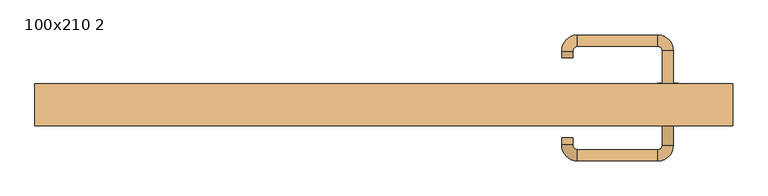
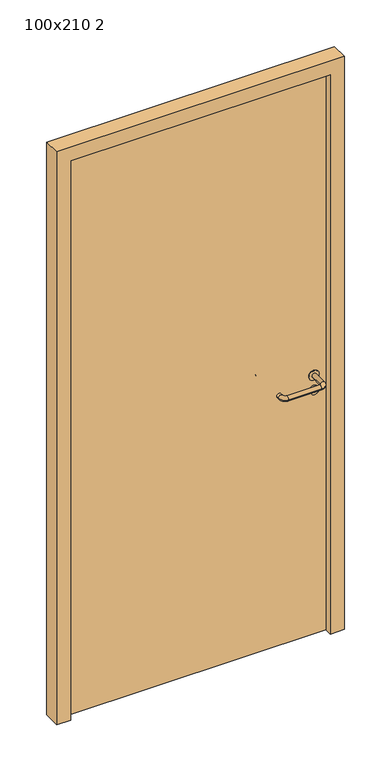
"""IFC4 building model written with IfcOpenShell, lengths in millimetres: door geometry, 100x210 2."""

import ifcopenshell
import ifcopenshell.guid

model = None  # the IFC model being written
_history = None  # IfcOwnerHistory: only IFC2X3 demands one
_inside = {}  # id of a spatial element -> (the spatial element, [elements in it])
_under = {}  # id of a project, library or spatial element -> (it, [spatial elements below it])
_declared = {}  # id of a project -> (the project, [libraries it declares])
_typed = {}  # id of a type object -> (the type object, [elements of that type])
_made_of = {}  # id of a material, layer set ... -> (it, [elements and type objects made of it])


def new_model(schema):
    """Start an empty IFC model of exactly this schema.

    Asked for "IFC4X3", IfcOpenShell would pick the latest addendum, in which some entities
    have other attributes; the version numbers below select the first issue.
    IFC2X3 requires an IfcOwnerHistory on every rooted entity: one is made here for all.
    """
    global model, _history
    if schema == "IFC4X3":
        model = ifcopenshell.file(schema_version=(4, 3, 0, 0))
    else:
        model = ifcopenshell.file(schema=schema)
    _inside.clear()
    _under.clear()
    _declared.clear()
    _typed.clear()
    _made_of.clear()
    _history = None
    if model.schema == "IFC2X3":
        org = make("IfcOrganization", Name="unknown")
        user = make(
            "IfcPersonAndOrganization",
            ThePerson=make("IfcPerson", FamilyName="unknown"),
            TheOrganization=org,
        )
        app = make(
            "IfcApplication",
            ApplicationDeveloper=org,
            Version="unknown",
            ApplicationFullName="unknown",
            ApplicationIdentifier="unknown",
        )
        _history = make(
            "IfcOwnerHistory",
            OwningUser=user,
            OwningApplication=app,
            ChangeAction="ADDED",
            CreationDate=0,
        )
    return model


def make(cls, **values):
    """One entity of the class cls with the attributes given. An attribute that is None is left unset."""
    return model.create_entity(
        cls, **{name: value for name, value in values.items() if value is not None}
    )


def rooted(cls, **values):
    """An entity with a GlobalId (a new one), such as an element, a storey or a relation."""
    return make(cls, GlobalId=ifcopenshell.guid.new(), OwnerHistory=_history, **values)


def si_unit(unit_type, name, prefix=None):
    """IfcSIUnit, for example si_unit("LENGTHUNIT", "METRE", prefix="MILLI")."""
    return make("IfcSIUnit", UnitType=unit_type, Prefix=prefix, Name=name)


def assignment(units):
    """IfcUnitAssignment: the units of a project."""
    return None if units is None else make("IfcUnitAssignment", Units=units)


def point(xyz):
    """IfcCartesianPoint."""
    return None if xyz is None else make("IfcCartesianPoint", Coordinates=xyz)


def direction(xyz):
    """IfcDirection."""
    return None if xyz is None else make("IfcDirection", DirectionRatios=xyz)


def frame(location, z_axis=None, x_axis=None):
    """IfcAxis2Placement3D, a coordinate frame: its origin and axes. An axis left out is left unset."""
    return make(
        "IfcAxis2Placement3D",
        Location=point(location),
        Axis=direction(z_axis),
        RefDirection=direction(x_axis),
    )


def frame_2d(location, x_axis=None):
    """IfcAxis2Placement2D, a coordinate frame in the plane: its origin and x axis."""
    return make(
        "IfcAxis2Placement2D", Location=point(location), RefDirection=direction(x_axis)
    )


def origin():
    """The frame at (0, 0, 0) with its axes left unset."""
    return frame((0.0, 0.0, 0.0))


def origin_with_axes():
    """The frame at (0, 0, 0) with the z axis (0, 0, 1) and the x axis (1, 0, 0) written out."""
    return frame((0.0, 0.0, 0.0), z_axis=(0.0, 0.0, 1.0), x_axis=(1.0, 0.0, 0.0))


def place(relative_to, where):
    """IfcLocalPlacement: puts the frame where relative to a parent placement (None: the world)."""
    return make(
        "IfcLocalPlacement", PlacementRelTo=relative_to, RelativePlacement=where
    )


def context(
    kind, dimensions, precision=None, world=None, true_north=None, identifier=None
):
    """IfcGeometricRepresentationContext, for example the 3D "Model" context."""
    return make(
        "IfcGeometricRepresentationContext",
        ContextIdentifier=identifier,
        ContextType=kind,
        CoordinateSpaceDimension=dimensions,
        Precision=precision,
        WorldCoordinateSystem=world,
        TrueNorth=true_north,
    )


def project(units=None, contexts=None):
    """IfcProject with its units and contexts."""
    return rooted(
        "IfcProject",
        Name="project",
        RepresentationContexts=contexts,
        UnitsInContext=assignment(units),
    )


def spatial(cls, under=None, at=None, **own):
    """A site, building, storey or space (cls), placed at a placement, below another one or the project."""
    s = rooted(cls, ObjectPlacement=at, **own)
    if under is not None:
        _under.setdefault(under.id(), (under, []))[1].append(s)
    return s


def polyline(points):
    """IfcPolyline through the points."""
    return make("IfcPolyline", Points=[point(p) for p in points])


def circle_curve(where, radius):
    """IfcCircle in the frame where."""
    return make("IfcCircle", Position=where, Radius=radius)


def ellipse_curve(where, semi_axis1, semi_axis2):
    """IfcEllipse in the frame where."""
    return make(
        "IfcEllipse", Position=where, SemiAxis1=semi_axis1, SemiAxis2=semi_axis2
    )


def trimmed(basis, trim1, trim2, sense, master):
    """IfcTrimmedCurve: the piece of a basis curve between two trims."""
    return make(
        "IfcTrimmedCurve",
        BasisCurve=basis,
        Trim1=trim1,
        Trim2=trim2,
        SenseAgreement=sense,
        MasterRepresentation=master,
    )


def segment(curve, same_sense, transition):
    """IfcCompositeCurveSegment."""
    return make(
        "IfcCompositeCurveSegment",
        Transition=transition,
        SameSense=same_sense,
        ParentCurve=curve,
    )


def composite_curve(segments, self_intersect=None):
    """IfcCompositeCurve: segments joined end to end."""
    return make("IfcCompositeCurve", Segments=segments, SelfIntersect=self_intersect)


def outline(outer, holes=None, kind="AREA"):
    """IfcArbitraryClosedProfileDef: a profile drawn as a closed curve; with holes, ...WithVoids."""
    if holes is None:
        return make("IfcArbitraryClosedProfileDef", ProfileType=kind, OuterCurve=outer)
    return make(
        "IfcArbitraryProfileDefWithVoids",
        ProfileType=kind,
        OuterCurve=outer,
        InnerCurves=holes,
    )


def extrude(swept, where, along, depth):
    """IfcExtrudedAreaSolid: the profile swept, set in the frame where, extruded along a direction by depth."""
    return make(
        "IfcExtrudedAreaSolid",
        SweptArea=swept,
        Position=where,
        ExtrudedDirection=direction(along),
        Depth=depth,
    )


def shape(context_of_items, identifier, shape_type, items):
    """IfcShapeRepresentation: the items that make up one representation, for example the "Body"."""
    return make(
        "IfcShapeRepresentation",
        ContextOfItems=context_of_items,
        RepresentationIdentifier=identifier,
        RepresentationType=shape_type,
        Items=items,
    )


def source(mapping_origin, context_of_items, identifier, shape_type, items):
    """IfcRepresentationMap: a shape defined once, which mapped items show again and again."""
    return make(
        "IfcRepresentationMap",
        MappingOrigin=mapping_origin,
        MappedRepresentation=shape(context_of_items, identifier, shape_type, items),
    )


def transform(
    local_origin,
    x_axis=None,
    y_axis=None,
    z_axis=None,
    scale=None,
    scale2=None,
    scale3=None,
    uniform=True,
):
    """IfcCartesianTransformationOperator3D, or its non-uniform kind. x_axis, y_axis, z_axis: its Axis1, 2, 3."""
    if uniform:
        return make(
            "IfcCartesianTransformationOperator3D",
            Axis1=direction(x_axis),
            Axis2=direction(y_axis),
            LocalOrigin=point(local_origin),
            Scale=scale,
            Axis3=direction(z_axis),
        )
    return make(
        "IfcCartesianTransformationOperator3DnonUniform",
        Axis1=direction(x_axis),
        Axis2=direction(y_axis),
        LocalOrigin=point(local_origin),
        Scale=scale,
        Axis3=direction(z_axis),
        Scale2=scale2,
        Scale3=scale3,
    )


def mapped(mapping_source, mapping_target):
    """IfcMappedItem: shows the shape of a source again, moved by a transform."""
    return make(
        "IfcMappedItem", MappingSource=mapping_source, MappingTarget=mapping_target
    )


def made_of(thing, what):
    """Note that an element or type object is made of a material, layer set ...; save() writes the relation."""
    if what is not None:
        _made_of.setdefault(what.id(), (what, []))[1].append(thing)
    return thing


def element(
    cls,
    number,
    at=None,
    inside=None,
    cuts=None,
    type_object=None,
    material=None,
    context=None,
    identifier="Body",
    shape_type=None,
    held_by="IfcProductDefinitionShape",
    body=None,
    shapes=None,
    **own,
):
    """One element of the class cls, such as IfcWall. Its Tag is "e" and its number.

    at: its placement. inside: the storey or other place that contains it. cuts: it is an
    opening in that element (IfcRelVoidsElement). A single representation is given by context,
    identifier, shape_type and body (its items); several are given by shapes. held_by: the class
    of the entity that holds the representations. save() writes the other relations.
    """
    e = rooted(cls, Tag="e%d" % number, ObjectPlacement=at, **own)
    if body is not None:
        shapes = [shape(context, identifier, shape_type, body)]
    if shapes is not None:
        e.Representation = make(held_by, Representations=shapes)
    if inside is not None:
        _inside.setdefault(inside.id(), (inside, []))[1].append(e)
    if cuts is not None:
        rooted(
            "IfcRelVoidsElement", RelatingBuildingElement=cuts, RelatedOpeningElement=e
        )
    if type_object is not None:
        _typed.setdefault(type_object.id(), (type_object, []))[1].append(e)
    return made_of(e, material)


def aggregate(whole, parts):
    """IfcRelAggregates: a whole, such as a stair, and the parts it consists of."""
    return rooted("IfcRelAggregates", RelatingObject=whole, RelatedObjects=parts)


def save(model, path):
    """Write the relations noted so far, then the file.

    IfcRelAggregates (storeys below a building ...), IfcRelContainedInSpatialStructure (elements
    in a storey), IfcRelDefinesByType, IfcRelAssociatesMaterial and IfcRelDeclares: one each for
    every whole, place, type object, material and project.
    """
    for whole, parts in _under.values():
        aggregate(whole, parts)
    for where, things in _inside.values():
        rooted(
            "IfcRelContainedInSpatialStructure",
            RelatedElements=things,
            RelatingStructure=where,
        )
    for kind, things in _typed.values():
        rooted("IfcRelDefinesByType", RelatedObjects=things, RelatingType=kind)
    for what, things in _made_of.values():
        rooted("IfcRelAssociatesMaterial", RelatedObjects=things, RelatingMaterial=what)
    for by, libraries in _declared.values():
        rooted("IfcRelDeclares", RelatingContext=by, RelatedDefinitions=libraries)
    model.write(path)


def plane_surface(at):
    """IfcPlane: the flat surface through the origin of the frame at, square to its z axis."""
    return make("IfcPlane", Position=at)


def cylinder_surface(at, radius):
    """IfcCylindricalSurface: all points at the distance radius from the z axis of the frame at."""
    return make("IfcCylindricalSurface", Position=at, Radius=radius)


def revolved_surface(curve, axis_point, axis_direction):
    """IfcSurfaceOfRevolution: the curve turned about the line through axis_point along axis_direction."""
    return make(
        "IfcSurfaceOfRevolution",
        SweptCurve=make("IfcArbitraryOpenProfileDef", ProfileType="CURVE", Curve=curve),
        AxisPosition=make("IfcAxis1Placement", Location=point(axis_point), Axis=direction(axis_direction)),
    )


def advanced_brep(points, edges, surfaces, faces):
    """IfcAdvancedBrep: a solid bounded by faces that lie on surfaces and meet in shared edges.

    An edge is (start, end): straight between two places in points (the first is 0);
    or (start, end, curve); or (start, end, curve, False) where it runs against its curve.
    A face is (place in surfaces, loops), or (place, loops, False) where it looks against
    its surface's normal. A loop lists edges by number (the first is 1), with a minus sign
    where the edge is run from its end to its start. The first loop is the outer one.
    """
    corners = [point(p) for p in points]
    vertices = [make("IfcVertexPoint", VertexGeometry=c) for c in corners]
    made = []
    for start, end, *more in edges:
        made.append(
            make(
                "IfcEdgeCurve",
                EdgeStart=vertices[start],
                EdgeEnd=vertices[end],
                EdgeGeometry=more[0] if more else make("IfcPolyline", Points=[corners[start], corners[end]]),
                SameSense=more[1] if len(more) > 1 else True,
            )
        )
    hull = []
    for where, loops, *sense in faces:
        bounds = []
        for j, loop in enumerate(loops):
            ring = [make("IfcOrientedEdge", EdgeElement=made[abs(k) - 1], Orientation=k > 0) for k in loop]
            bounds.append(
                make(
                    "IfcFaceOuterBound" if j == 0 else "IfcFaceBound",
                    Bound=make("IfcEdgeLoop", EdgeList=ring),
                    Orientation=True,
                )
            )
        hull.append(make("IfcAdvancedFace", Bounds=bounds, FaceSurface=surfaces[where], SameSense=sense[0] if sense else True))
    return make("IfcAdvancedBrep", Outer=make("IfcClosedShell", CfsFaces=hull))


def door_100x210_2_7547dd9d(model_context):
    return source(origin(), model_context, "Body", "SolidModel", [
        extrude(outline(composite_curve([segment(trimmed(circle_curve(frame_2d((897.3605726, 407.0)), 15.0), [point((897.3605726, 422.0))], [point((897.3605726, 392.0))], False, "CARTESIAN"), True, "CONTINUOUS"), segment(trimmed(circle_curve(frame_2d((897.3605726, 407.0)), 15.0), [point((897.3605726, 392.0))], [point((897.3605726, 422.0))], False, "CARTESIAN"), True, "CONTINUOUS")], self_intersect=False), holes=[composite_curve([segment(trimmed(circle_curve(frame_2d((892.5833211, 406.9398032)), 2.0), [point((892.5833211, 408.9398032))], [point((892.5833211, 404.9398032))], True, "CARTESIAN"), True, "CONTINUOUS"), segment(polyline([(892.5833211, 404.9398032), (902.5833211, 404.9398032)]), True, "CONTINUOUS"), segment(trimmed(circle_curve(frame_2d((902.5833211, 406.9398032)), 2.0), [point((902.5833211, 404.9398032))], [point((902.5833211, 408.9398032))], True, "CARTESIAN"), True, "CONTINUOUS"), segment(polyline([(902.5833211, 408.9398032), (892.5833211, 408.9398032)]), True, "CONTINUOUS")], self_intersect=False)]), frame((0.0, -1.35, 0.0), z_axis=(0.0, 1.0, 0.0), x_axis=(0.0, 0.0, 1.0)), (0.0, 0.0, 1.0), 6.35),
        extrude(outline(composite_curve([segment(trimmed(circle_curve(frame_2d((950.0, 407.0)), 17.526), [point((950.0, 424.526))], [point((950.0, 389.474))], False, "CARTESIAN"), True, "CONTINUOUS"), segment(trimmed(circle_curve(frame_2d((950.0, 407.0)), 17.526), [point((950.0, 389.474))], [point((950.0, 424.526))], False, "CARTESIAN"), True, "CONTINUOUS")], self_intersect=False)), frame((0.0, 1.825, 0.0), z_axis=(0.0, 1.0, 0.0), x_axis=(0.0, 0.0, 1.0)), (0.0, 0.0, 1.0), 3.175),
        advanced_brep(
        [(415.0, 5.0, 950.0), (399.0, 5.0, 950.0), (399.0, -48.0, 950.0), (415.0, -48.0, 950.0), (392.8578644, -54.1421356, 950.0), (392.8578644, -70.1421356, 950.0), (277.8578644, -54.1421356, 950.0), (277.8578644, -70.1421356, 950.0), (271.008622, -47.2928932, 950.0), (255.008622, -47.2928932, 950.0), (255.008622, -37.2928932, 950.0), (271.008622, -37.2928932, 950.0)],
        [
            (0, 1, circle_curve(frame((407.0, 5.0, 950.0), z_axis=(0.0, 1.0, 0.0), x_axis=(-1.0, 0.0, 0.0)), 8.0)),
            (1, 0, circle_curve(frame((407.0, 5.0, 950.0), z_axis=(0.0, 1.0, 0.0), x_axis=(-1.0, 0.0, 0.0)), 8.0)),
            (1, 2),
            (2, 3, circle_curve(frame((407.0, -48.0, 950.0), z_axis=(0.0, 1.0, 0.0), x_axis=(-1.0, 0.0, 0.0)), 8.0)),
            (3, 0),
            (3, 2, circle_curve(frame((407.0, -48.0, 950.0), z_axis=(0.0, 1.0, 0.0), x_axis=(-1.0, 0.0, 0.0)), 8.0)),
            (4, 5, circle_curve(frame((392.8578644, -62.1421356, 950.0), z_axis=(1.0, 0.0, 0.0), x_axis=(0.0, 1.0, 0.0)), 8.0)),
            (5, 3, circle_curve(frame((392.8578644, -48.0, 950.0), z_axis=(0.0, 0.0, 1.0), x_axis=(1.0, 0.0, 0.0)), 22.1421356)),
            (2, 4, circle_curve(frame((392.8578644, -48.0, 950.0), z_axis=(0.0, 0.0, -1.0), x_axis=(1.0, 0.0, 0.0)), 6.1421356)),
            (5, 4, circle_curve(frame((392.8578644, -62.1421356, 950.0), z_axis=(1.0, 0.0, 0.0), x_axis=(0.0, 1.0, 0.0)), 8.0)),
            (4, 6),
            (6, 7, circle_curve(frame((277.8578644, -62.1421356, 950.0), z_axis=(1.0, 0.0, 0.0), x_axis=(0.0, 1.0, 0.0)), 8.0)),
            (7, 5),
            (7, 6, circle_curve(frame((277.8578644, -62.1421356, 950.0), z_axis=(1.0, 0.0, 0.0), x_axis=(0.0, 1.0, 0.0)), 8.0)),
            (8, 9, circle_curve(frame((263.008622, -47.2928932, 950.0), z_axis=(0.0, -1.0, 0.0), x_axis=(1.0, 0.0, 0.0)), 8.0)),
            (9, 7, circle_curve(frame((277.8578644, -47.2928932, 950.0), z_axis=(0.0, 0.0, 1.0), x_axis=(0.0, -1.0, 0.0)), 22.8492424)),
            (6, 8, circle_curve(frame((277.8578644, -47.2928932, 950.0), z_axis=(0.0, 0.0, -1.0), x_axis=(0.0, -1.0, 0.0)), 6.8492424)),
            (9, 8, circle_curve(frame((263.008622, -47.2928932, 950.0), z_axis=(0.0, -1.0, 0.0), x_axis=(1.0, 0.0, 0.0)), 8.0)),
            (10, 11, circle_curve(frame((263.008622, -37.2928932, 950.0), z_axis=(0.0, 1.0, 0.0), x_axis=(1.0, 0.0, 0.0)), 8.0)),
            (11, 10, circle_curve(frame((263.008622, -37.2928932, 950.0), z_axis=(0.0, 1.0, 0.0), x_axis=(1.0, 0.0, 0.0)), 8.0)),
            (8, 11),
            (10, 9),
        ],
        [
            plane_surface(frame((407.0, 5.0, 0.0), z_axis=(0.0, 1.0, 0.0), x_axis=(0.0, 0.0, 1.0))),
            cylinder_surface(frame((407.0, 5.0, 950.0), z_axis=(0.0, 1.0, 0.0), x_axis=(-1.0, 0.0, 0.0)), 8.0),
            revolved_surface(trimmed(ellipse_curve(frame((407.0, -48.0, 950.0), z_axis=(0.0, -1.0, 0.0), x_axis=(-1.0, 0.0, 0.0)), 8.0, 8.0), [point((415.0, -48.0, 950.0))], [point((399.0, -48.0, 950.0))], True, "CARTESIAN"), (392.8578644, -48.0, 0.0), (0.0, 0.0, 1.0)),
            revolved_surface(trimmed(ellipse_curve(frame((407.0, -48.0, 950.0), z_axis=(0.0, -1.0, 0.0), x_axis=(-1.0, 0.0, 0.0)), 8.0, 8.0), [point((399.0, -48.0, 950.0))], [point((415.0, -48.0, 950.0))], True, "CARTESIAN"), (392.8578644, -48.0, 0.0), (0.0, 0.0, 1.0)),
            cylinder_surface(frame((392.8578644, -62.1421356, 950.0), z_axis=(1.0, 0.0, 0.0), x_axis=(0.0, 1.0, 0.0)), 8.0),
            revolved_surface(trimmed(ellipse_curve(frame((277.8578644, -62.1421356, 950.0), z_axis=(-1.0, 0.0, 0.0), x_axis=(0.0, 1.0, 0.0)), 8.0, 8.0), [point((277.8578644, -70.1421356, 950.0))], [point((277.8578644, -54.1421356, 950.0))], True, "CARTESIAN"), (277.8578644, -47.2928932, 0.0), (0.0, 0.0, 1.0)),
            revolved_surface(trimmed(ellipse_curve(frame((277.8578644, -62.1421356, 950.0), z_axis=(-1.0, 0.0, 0.0), x_axis=(0.0, 1.0, 0.0)), 8.0, 8.0), [point((277.8578644, -54.1421356, 950.0))], [point((277.8578644, -70.1421356, 950.0))], True, "CARTESIAN"), (277.8578644, -47.2928932, 0.0), (0.0, 0.0, 1.0)),
            plane_surface(frame((263.008622, -37.2928932, 0.0), z_axis=(0.0, 1.0, 0.0), x_axis=(0.0, 0.0, 1.0))),
            cylinder_surface(frame((263.008622, -47.2928932, 950.0), z_axis=(0.0, -1.0, 0.0), x_axis=(1.0, 0.0, 0.0)), 8.0),
        ],
        [
            (0, [[1, 2]]),
            (1, [[3, 4, 5, -2]]),
            (1, [[-5, 6, -3, -1]]),
            (2, [[7, 8, -4, 9]]),
            (3, [[10, -9, -6, -8]]),
            (4, [[11, 12, 13, -7]]),
            (4, [[-13, 14, -11, -10]]),
            (5, [[15, 16, -12, 17]]),
            (6, [[18, -17, -14, -16]]),
            (7, [[19, 20]]),
            (8, [[21, -19, 22, -15]]),
            (8, [[-22, -20, -21, -18]]),
        ],
    ),
        extrude(outline(composite_curve([segment(trimmed(circle_curve(frame_2d((0.0, -15.0)), 15.0), [point((0.0, -30.0))], [point((0.0, 0.0))], False, "CARTESIAN"), True, "CONTINUOUS"), segment(trimmed(circle_curve(frame_2d((0.0, -15.0)), 15.0), [point((0.0, 0.0))], [point((0.0, -30.0))], False, "CARTESIAN"), True, "CONTINUOUS")], self_intersect=False), holes=[composite_curve([segment(trimmed(circle_curve(frame_2d((4.7772515, -14.9398032)), 2.0), [point((4.7772515, -16.9398032))], [point((4.7772515, -12.9398032))], True, "CARTESIAN"), True, "CONTINUOUS"), segment(polyline([(4.7772515, -12.9398032), (-5.2227485, -12.9398032)]), True, "CONTINUOUS"), segment(trimmed(circle_curve(frame_2d((-5.2227485, -14.9398032)), 2.0), [point((-5.2227485, -12.9398032))], [point((-5.2227485, -16.9398032))], True, "CARTESIAN"), True, "CONTINUOUS"), segment(polyline([(-5.2227485, -16.9398032), (4.7772515, -16.9398032)]), True, "CONTINUOUS")], self_intersect=False)]), frame((392.0, 35.0, 897.3605726), z_axis=(1.8870575173328306e-12, 1.0, 0.0), x_axis=(0.0, 0.0, -1.0)), (0.0, 0.0, 1.0), 6.35),
        extrude(outline(composite_curve([segment(trimmed(circle_curve(frame_2d((0.0, -17.526)), 17.526), [point((0.0, -35.052))], [point((0.0, 0.0))], False, "CARTESIAN"), True, "CONTINUOUS"), segment(trimmed(circle_curve(frame_2d((0.0, -17.526)), 17.526), [point((0.0, 0.0))], [point((0.0, -35.052))], False, "CARTESIAN"), True, "CONTINUOUS")], self_intersect=False)), frame((389.474, 35.0, 950.0), z_axis=(1.8870575173328306e-12, 1.0, 0.0), x_axis=(0.0, 0.0, -1.0)), (0.0, 0.0, 1.0), 3.175),
        advanced_brep(
        [(415.0, 35.0, 950.0), (399.0, 35.0, 950.0), (415.0, 88.0, 950.0), (399.0, 88.0, 950.0), (392.8578644, 94.1421356, 950.0), (392.8578644, 110.1421356, 950.0), (277.8578644, 110.1421356, 950.0), (277.8578644, 94.1421356, 950.0), (271.008622, 87.2928932, 950.0), (255.008622, 87.2928932, 950.0), (255.008622, 77.2928932, 950.0), (271.008622, 77.2928932, 950.0)],
        [
            (0, 1, circle_curve(frame((407.0, 35.0, 950.0), z_axis=(-1.888672253512351e-12, -1.0, 0.0), x_axis=(-1.0, 1.888672253512351e-12, 0.0)), 8.0)),
            (1, 0, circle_curve(frame((407.0, 35.0, 950.0), z_axis=(-1.888672253512351e-12, -1.0, 0.0), x_axis=(-1.0, 1.888672253512351e-12, 0.0)), 8.0)),
            (0, 2),
            (2, 3, circle_curve(frame((407.0, 88.0, 950.0), z_axis=(-1.888672253512351e-12, -1.0, 0.0), x_axis=(-1.0, 1.888672253512351e-12, 0.0)), 8.0)),
            (3, 1),
            (3, 2, circle_curve(frame((407.0, 88.0, 950.0), z_axis=(-1.888672253512351e-12, -1.0, 0.0), x_axis=(-1.0, 1.888672253512351e-12, 0.0)), 8.0)),
            (4, 3, circle_curve(frame((392.8578644, 88.0, 950.0), z_axis=(0.0, 0.0, -1.0), x_axis=(1.0, -1.880717803715015e-12, 0.0)), 6.1421356)),
            (2, 5, circle_curve(frame((392.8578644, 88.0, 950.0), z_axis=(0.0, 0.0, 1.0), x_axis=(1.0, -1.880717803715015e-12, 0.0)), 22.1421356)),
            (5, 4, circle_curve(frame((392.8578644, 102.1421356, 950.0), z_axis=(1.0, -1.913702061528922e-12, 0.0), x_axis=(-1.913702061528922e-12, -1.0, 0.0)), 8.0)),
            (4, 5, circle_curve(frame((392.8578644, 102.1421356, 950.0), z_axis=(1.0, -1.913702061528922e-12, 0.0), x_axis=(-1.913702061528922e-12, -1.0, 0.0)), 8.0)),
            (5, 6),
            (6, 7, circle_curve(frame((277.8578644, 102.1421356, 950.0), z_axis=(1.0, -1.913719828541269e-12, 0.0), x_axis=(-1.913719828541269e-12, -1.0, 0.0)), 8.0)),
            (7, 4),
            (7, 6, circle_curve(frame((277.8578644, 102.1421356, 950.0), z_axis=(1.0, -1.913719828541269e-12, 0.0), x_axis=(-1.913719828541269e-12, -1.0, 0.0)), 8.0)),
            (8, 7, circle_curve(frame((277.8578644, 87.2928932, 950.0), z_axis=(0.0, 0.0, -1.0), x_axis=(1.9120873253494017e-12, 1.0, 0.0)), 6.8492424)),
            (6, 9, circle_curve(frame((277.8578644, 87.2928932, 950.0), z_axis=(0.0, 0.0, 1.0), x_axis=(1.9120873253494017e-12, 1.0, 0.0)), 22.8492424)),
            (9, 8, circle_curve(frame((263.008622, 87.2928932, 950.0), z_axis=(1.890448610351751e-12, 1.0, 0.0), x_axis=(1.0, -1.890448610351751e-12, 0.0)), 8.0)),
            (8, 9, circle_curve(frame((263.008622, 87.2928932, 950.0), z_axis=(1.8888942981172756e-12, 1.0, 0.0), x_axis=(1.0, -1.8888942981172756e-12, 0.0)), 8.0)),
            (10, 11, circle_curve(frame((263.008622, 77.2928932, 950.0), z_axis=(-1.8903642334018795e-12, -1.0, 0.0), x_axis=(1.0, -1.8903642334018795e-12, 0.0)), 8.0)),
            (11, 10, circle_curve(frame((263.008622, 77.2928932, 950.0), z_axis=(-1.8903642334018795e-12, -1.0, 0.0), x_axis=(1.0, -1.8903642334018795e-12, 0.0)), 8.0)),
            (9, 10),
            (11, 8),
        ],
        [
            plane_surface(frame((407.0, 35.0, 0.0), z_axis=(-1.8870575173328306e-12, -1.0, 0.0), x_axis=(0.0, 0.0, 1.0))),
            cylinder_surface(frame((407.0, 35.0, 950.0), z_axis=(-1.888672253512351e-12, -1.0, 0.0), x_axis=(-1.0, 1.888672253512351e-12, 0.0)), 8.0),
            revolved_surface(trimmed(ellipse_curve(frame((407.0, 88.0, 950.0), z_axis=(-1.8823325398945356e-12, -1.0, 0.0), x_axis=(-1.0, 1.8823325398945356e-12, 0.0)), 8.0, 8.0), [point((415.0, 88.0, 950.0))], [point((399.0, 88.0, 950.0))], True, "CARTESIAN"), (392.8578644, 88.0, 0.0), (0.0, 0.0, 1.0)),
            revolved_surface(trimmed(ellipse_curve(frame((407.0, 88.0, 950.0), z_axis=(-1.8823325398945356e-12, -1.0, 0.0), x_axis=(-1.0, 1.8823325398945356e-12, 0.0)), 8.0, 8.0), [point((399.0, 88.0, 950.0))], [point((415.0, 88.0, 950.0))], True, "CARTESIAN"), (392.8578644, 88.0, 0.0), (0.0, 0.0, 1.0)),
            cylinder_surface(frame((392.8578644, 102.1421356, 950.0), z_axis=(1.0, -1.913719828541269e-12, 0.0), x_axis=(-1.913719828541269e-12, -1.0, 0.0)), 8.0),
            revolved_surface(trimmed(ellipse_curve(frame((277.8578644, 102.1421356, 950.0), z_axis=(1.0, -1.913702061528922e-12, 0.0), x_axis=(-1.913702061528922e-12, -1.0, 0.0)), 8.0, 8.0), [point((277.8578644, 110.1421356, 950.0))], [point((277.8578644, 94.1421356, 950.0))], True, "CARTESIAN"), (277.8578644, 87.2928932, 0.0), (0.0, 0.0, 1.0)),
            revolved_surface(trimmed(ellipse_curve(frame((277.8578644, 102.1421356, 950.0), z_axis=(1.0, -1.913702061528922e-12, 0.0), x_axis=(-1.913702061528922e-12, -1.0, 0.0)), 8.0, 8.0), [point((277.8578644, 94.1421356, 950.0))], [point((277.8578644, 110.1421356, 950.0))], True, "CARTESIAN"), (277.8578644, 87.2928932, 0.0), (0.0, 0.0, 1.0)),
            plane_surface(frame((263.008622, 77.2928932, 0.0), z_axis=(-1.8887494972223595e-12, -1.0, 0.0), x_axis=(0.0, 0.0, 1.0))),
            cylinder_surface(frame((263.008622, 87.2928932, 950.0), z_axis=(1.8903642334018795e-12, 1.0, 0.0), x_axis=(1.0, -1.8903642334018795e-12, 0.0)), 8.0),
        ],
        [
            (0, [[1, 2]]),
            (1, [[-1, 3, 4, 5]]),
            (1, [[-2, -5, 6, -3]]),
            (2, [[7, -4, 8, 9]]),
            (3, [[-8, -6, -7, 10]]),
            (4, [[-9, 11, 12, 13]]),
            (4, [[-10, -13, 14, -11]]),
            (5, [[15, -12, 16, 17]]),
            (6, [[-16, -14, -15, 18]]),
            (7, [[19, 20]]),
            (8, [[-17, 21, -20, 22]]),
            (8, [[-18, -22, -19, -21]]),
        ],
    ),
        extrude(outline(polyline([(2050.0, 450.0), (0.0, 450.0), (0.0, 500.0), (2100.0, 500.0), (2100.0, -500.0), (0.0, -500.0), (0.0, -450.0), (2050.0, -450.0), (2050.0, 450.0)])), frame((0.0, -20.0, 0.0), z_axis=(0.0, 1.0, 0.0), x_axis=(0.0, 0.0, 1.0)), (0.0, 0.0, 1.0), 60.0),
        extrude(outline(polyline([(-450.0, 35.0), (450.0, 35.0), (450.0, 5.0), (-450.0, 5.0), (-450.0, 35.0)])), origin_with_axes(), (0.0, 0.0, 1.0), 2050.0),
    ])


if __name__ == "__main__":
    model = new_model("IFC4")
    model_context = context("Model", 3, world=origin())
    ifc_project = project(units=[si_unit("LENGTHUNIT", "METRE", prefix="MILLI")], contexts=[model_context])
    site = spatial("IfcSite", under=ifc_project)
    building = spatial("IfcBuilding", under=site)
    placement = place(None, origin())
    door_100x210_2_shape = door_100x210_2_7547dd9d(model_context)
    element("IfcDoor", 1, ObjectType="100x210 2", at=placement, inside=building, context=model_context, shape_type="MappedRepresentation", body=[
        mapped(door_100x210_2_shape, transform((0.0, 0.0, 0.0), x_axis=(1.0, 0.0, 0.0), y_axis=(0.0, 1.0, 0.0), z_axis=(0.0, 0.0, 1.0))),
    ])
    save(model, "model.ifc")
